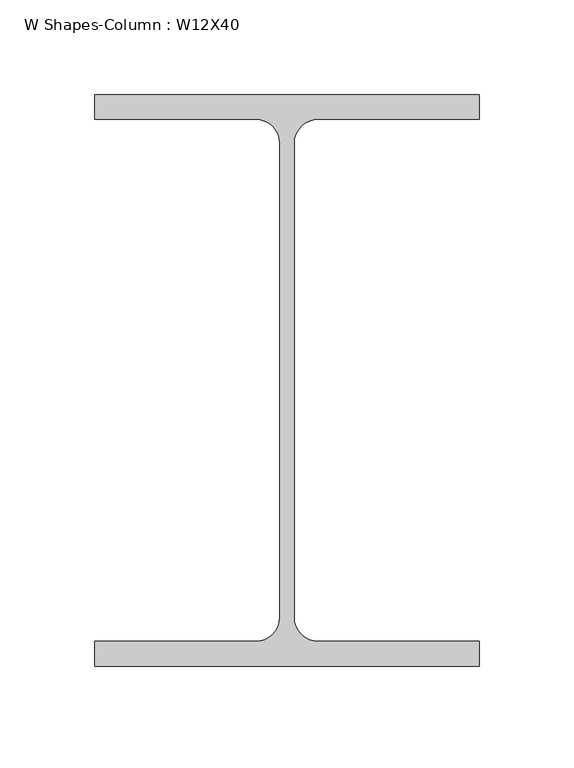
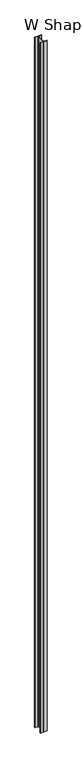
"""IFC4 building model written with IfcOpenShell, lengths in millimetres: column geometry, W Shapes-Column : W12X40."""

from ifc_helpers import new_model, si_unit, point, frame_2d, origin, origin_with_axes, place, context, project, spatial, polyline, circle_curve, trimmed, segment, composite_curve, outline, extrude, source, transform, mapped, element, save


def w_shapes_column_w12x40_a8ae053b(model_context):
    return source(origin(), model_context, "Body", "SweptSolid", [
        extrude(outline(composite_curve([segment(polyline([(101.727, 151.13), (101.727, 138.049), (16.5735, 138.049)]), True, "CONTINUOUS"), segment(trimmed(circle_curve(frame_2d((16.5735, 125.222)), 12.827), [point((16.5735, 138.049))], [point((3.7465, 125.222))], True, "CARTESIAN"), True, "CONTINUOUS"), segment(polyline([(3.7465, 125.222), (3.7465, -125.222)]), True, "CONTINUOUS"), segment(trimmed(circle_curve(frame_2d((16.5735, -125.222)), 12.827), [point((3.7465, -125.222))], [point((16.5735, -138.049))], True, "CARTESIAN"), True, "CONTINUOUS"), segment(polyline([(16.5735, -138.049), (101.727, -138.049), (101.727, -151.13), (-101.727, -151.13), (-101.727, -138.049), (-16.5735, -138.049)]), True, "CONTINUOUS"), segment(trimmed(circle_curve(frame_2d((-16.5735, -125.222)), 12.827), [point((-16.5735, -138.049))], [point((-3.7465, -125.222))], True, "CARTESIAN"), True, "CONTINUOUS"), segment(polyline([(-3.7465, -125.222), (-3.7465, 125.222)]), True, "CONTINUOUS"), segment(trimmed(circle_curve(frame_2d((-16.5735, 125.222)), 12.827), [point((-3.7465, 125.222))], [point((-16.5735, 138.049))], True, "CARTESIAN"), True, "CONTINUOUS"), segment(polyline([(-16.5735, 138.049), (-101.727, 138.049), (-101.727, 151.13), (101.727, 151.13)]), True, "CONTINUOUS")], self_intersect=False)), origin_with_axes(), (0.0, 0.0, 1.0), 21945.6),
    ])


if __name__ == "__main__":
    model = new_model("IFC4")
    model_context = context("Model", 3, world=origin())
    ifc_project = project(units=[si_unit("LENGTHUNIT", "METRE", prefix="MILLI")], contexts=[model_context])
    site = spatial("IfcSite", under=ifc_project)
    building = spatial("IfcBuilding", under=site)
    placement = place(None, origin())
    w_shapes_column_w12x40_shape = w_shapes_column_w12x40_a8ae053b(model_context)
    element("IfcColumn", 1, ObjectType="W Shapes-Column : W12X40", at=placement, inside=building, context=model_context, shape_type="MappedRepresentation", body=[
        mapped(w_shapes_column_w12x40_shape, transform((0.0, 0.0, 0.0), x_axis=(1.0, 0.0, 0.0), y_axis=(0.0, 1.0, 0.0), z_axis=(0.0, 0.0, 1.0))),
    ])
    save(model, "model.ifc")
